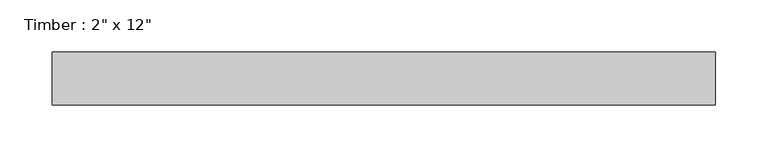
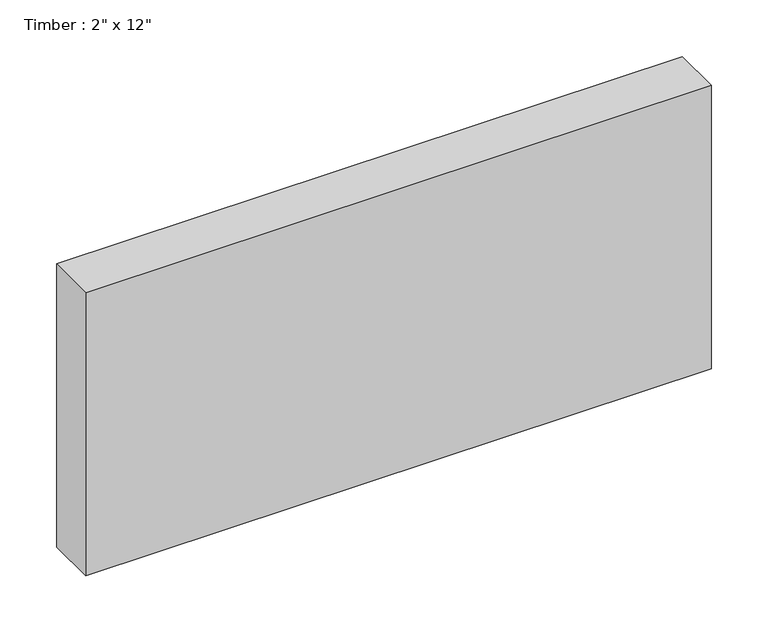
"""IFC4 building model written with IfcOpenShell, lengths in millimetres: beam geometry."""

from ifc_helpers import new_model, si_unit, frame, origin, place, context, project, spatial, polyline, outline, extrude, source, transform, mapped, element, save


def beam_c9445209(model_context):
    return source(origin(), model_context, "Body", "SweptSolid", [
        extrude(outline(polyline([(331.6757418, 25.4), (331.6757418, -25.4), (-304.8, -25.4), (-304.8, 25.4), (331.6757418, 25.4)])), frame((0.0, 0.0, -152.4), z_axis=(0.0, 0.0, 1.0), x_axis=(1.0, 0.0, 0.0)), (0.0, 0.0, 1.0), 304.8),
    ])


if __name__ == "__main__":
    model = new_model("IFC4")
    model_context = context("Model", 3, world=origin())
    ifc_project = project(units=[si_unit("LENGTHUNIT", "METRE", prefix="MILLI")], contexts=[model_context])
    site = spatial("IfcSite", under=ifc_project)
    building = spatial("IfcBuilding", under=site)
    placement = place(None, origin())
    beam_shape = beam_c9445209(model_context)
    element("IfcBeam", 1, ObjectType="Timber : 2\" x 12\"", at=placement, inside=building, context=model_context, shape_type="MappedRepresentation", body=[
        mapped(beam_shape, transform((0.0, 0.0, 0.0), x_axis=(1.0, 0.0, 0.0), y_axis=(0.0, 1.0, 0.0), z_axis=(0.0, 0.0, 1.0))),
    ])
    save(model, "model.ifc")
